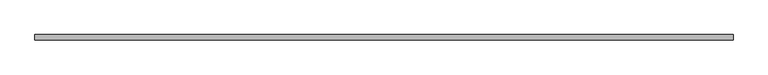
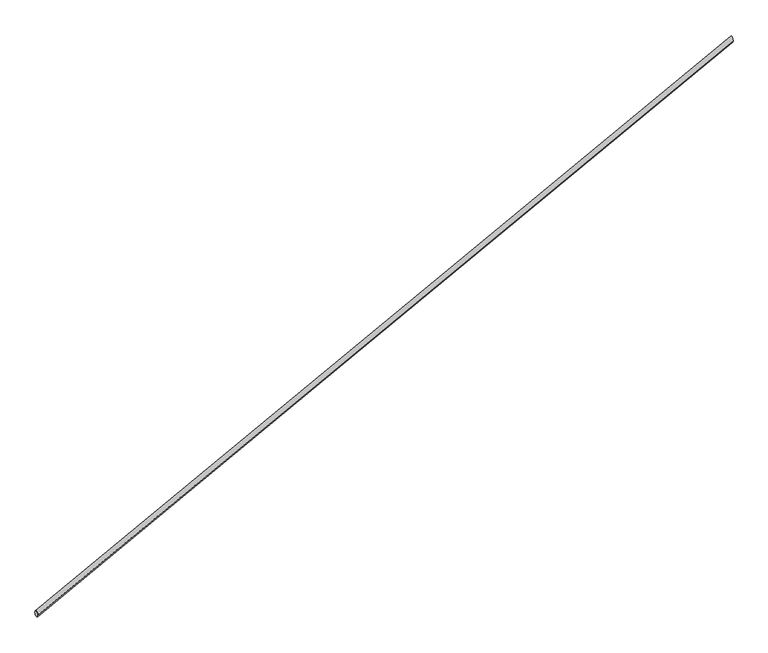
"""IFC4 building model written with IfcOpenShell, lengths in millimetres: railing geometry."""

from ifc_helpers import new_model, si_unit, frame, origin, place, context, project, spatial, ellipse_curve, source, transform, mapped, element, save
from ifc_brep_helpers import plane_surface, cylinder_surface, advanced_brep


def railing_cdd6a1d6(model_context):
    return source(origin(), model_context, "Body", "AdvancedBrep", [
        advanced_brep(
        [(58838.5706245, -37257.2841903, -8952.6315789), (58838.5706245, -37217.2841903, -8952.6315789), (64238.5706245, -37257.2841903, -6120.0), (64238.5706245, -37217.2841903, -6120.0)],
        [
            (0, 1, ellipse_curve(frame((58838.5706245, -37237.2841903, -8952.6315789), z_axis=(-1.0, 0.0, 0.0), x_axis=(0.0, 0.0, -1.0)), 22.5846378, 20.0)),
            (1, 0, ellipse_curve(frame((58838.5706245, -37237.2841903, -8952.6315789), z_axis=(-1.0, 0.0, 0.0), x_axis=(0.0, 0.0, -1.0)), 22.5846378, 20.0)),
            (2, 3, ellipse_curve(frame((64238.5706245, -37237.2841903, -6120.0), z_axis=(1.0, 0.0, 0.0), x_axis=(0.0, 0.0, -1.0)), 22.5846378, 20.0)),
            (3, 2, ellipse_curve(frame((64238.5706245, -37237.2841903, -6120.0), z_axis=(1.0, 0.0, 0.0), x_axis=(0.0, 0.0, -1.0)), 22.5846378, 20.0)),
            (0, 2),
            (3, 1),
        ],
        [
            plane_surface(frame((58838.5706245, -37237.2841903, -8952.6315789), z_axis=(-1.0, 0.0, 0.0), x_axis=(0.0, 1.0, 0.0))),
            plane_surface(frame((64238.5706245, -37237.2841903, -6120.0), z_axis=(1.0, 0.0, 0.0), x_axis=(0.0, 1.0, 0.0))),
            cylinder_surface(frame((58838.5706245, -37237.2841903, -8952.6315789), z_axis=(-0.8855577025667617, 0.0, -0.4645293913464237), x_axis=(0.0, 1.0, 0.0)), 20.0),
        ],
        [
            (0, [[1, 2]]),
            (1, [[3, 4]]),
            (2, [[-1, 5, -4, 6]]),
            (2, [[-2, -6, -3, -5]]),
        ],
    ),
    ])


if __name__ == "__main__":
    model = new_model("IFC4")
    model_context = context("Model", 3, world=origin())
    ifc_project = project(units=[si_unit("LENGTHUNIT", "METRE", prefix="MILLI")], contexts=[model_context])
    site = spatial("IfcSite", under=ifc_project)
    building = spatial("IfcBuilding", under=site)
    placement = place(None, origin())
    railing_shape = railing_cdd6a1d6(model_context)
    element("IfcRailing", 1, at=placement, inside=building, context=model_context, shape_type="MappedRepresentation", body=[
        mapped(railing_shape, transform((0.0, 0.0, 0.0), x_axis=(1.0, 0.0, 0.0), y_axis=(0.0, 1.0, 0.0), z_axis=(0.0, 0.0, 1.0))),
    ])
    save(model, "model.ifc")
